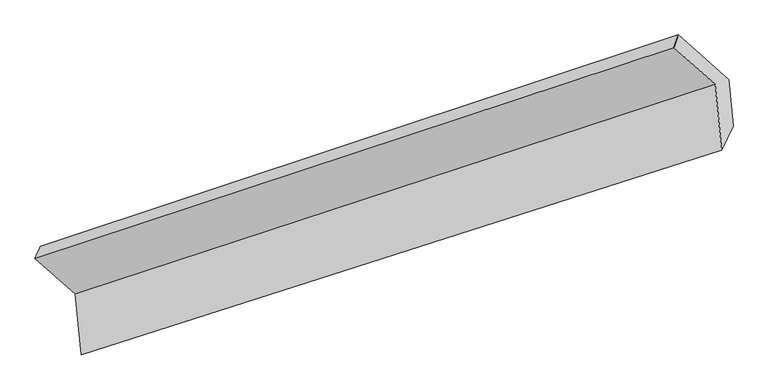
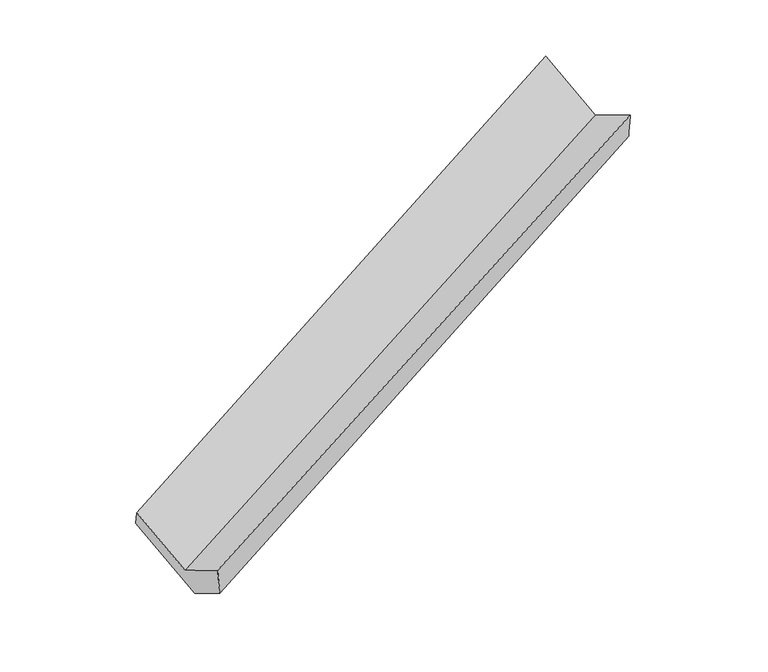
"""IFC4 building model written with IfcOpenShell, lengths in millimetres: proxy geometry."""

from ifc_helpers import new_model, si_unit, frame, origin, place, context, project, spatial, source, transform, mapped, element, save
from ifc_brep_helpers import plane_surface, spline_surface, advanced_brep


def generic_models_2de4b0ec(model_context):
    return source(origin(), model_context, "Body", "AdvancedBrep", [
        advanced_brep(
        [(-4818.2952949, -2142.9938658, 1010.5607449), (-4781.5622967, -2523.9603189, 1229.293286), (-784.181113, -1243.3883559, 2855.7918655), (-823.7020433, -833.5076116, 2620.4581346), (-5069.5408886, -1919.5102343, 1441.9952717), (-1081.8374156, -603.8955035, 3063.7236684), (-5035.4556037, -1846.2413821, 1299.6498045), (-1054.6419093, -524.4981747, 2933.2092081), (-4728.7199829, -2119.083542, 772.9287765), (-741.0165099, -803.4688112, 2394.6571732), (-4700.3139631, -2413.6889691, 942.0769867), (-712.9641411, -1094.4064412, 2561.6995114)],
        [
            (0, 1),
            (1, 2),
            (2, 3),
            (3, 0),
            (4, 0),
            (3, 5),
            (5, 4),
            (6, 4),
            (5, 7),
            (7, 6),
            (8, 6),
            (7, 9),
            (9, 8),
            (10, 8),
            (9, 11),
            (11, 10),
            (1, 10),
            (11, 2),
        ],
        [
            plane_surface(frame((-4799.9287958, -2333.4770924, 1119.9270155), z_axis=(-0.4534146103409898, 0.4105129292218262, 0.7911348343177949), x_axis=(0.08332741926798709, -0.8642080125405541, 0.49618650954942617))),
            plane_surface(frame((-4943.9180918, -2031.25205, 1226.2780083), z_axis=(0.08332741926799117, -0.864208012540558, 0.49618650954941856), x_axis=(0.4593185728749458, -0.40856510619958347, -0.7887337970495788))),
            spline_surface(1, 1, [[(-5035.4556037, -1846.2413821, 1299.6498045), (-1054.6419093, -524.4981747, 2933.2092081)], [(-5069.5408886, -1919.5102343, 1441.9952717), (-1081.8374156, -603.8955035, 3063.7236684)]], [2, 2], [2, 2], [0.0, 1.0], [0.0, 1.0]),
            plane_surface(frame((-4882.0877933, -1982.6624621, 1036.2892905), z_axis=(-0.0833274192679884, 0.8642080125405563, -0.49618650954942245), x_axis=(-0.4593185728749562, 0.4085651061995846, 0.7887337970495724))),
            plane_surface(frame((-4714.516973, -2266.3862556, 857.5028816), z_axis=(0.45636909258398484, -0.4095413022928346, -0.78993871474334), x_axis=(-0.08332741926798744, 0.8642080125405541, -0.496186509549426))),
            spline_surface(1, 1, [[(-4781.5622967, -2523.9603189, 1229.293286), (-784.181113, -1243.3883559, 2855.7918655)], [(-4700.3139631, -2413.6889691, 942.0769867), (-712.9641411, -1094.4064412, 2561.6995114)]], [2, 2], [2, 2], [0.0, 1.0], [0.0, 1.0]),
            plane_surface(frame((-866.390522, -850.527483, 2738.2565935), z_axis=(0.8843545611406308, 0.29363083124370537, 0.3629021150846235), x_axis=(-0.4593185728749562, 0.4085651061995846, 0.7887337970495724))),
            plane_surface(frame((-4855.648005, -2160.913052, 1116.0841451), z_axis=(-0.8843545611406382, -0.2936308312436289, -0.3629021150846672), x_axis=(-0.08332741926798697, 0.8642080125405545, -0.49618650954942545))),
        ],
        [
            (0, [[1, 2, 3, 4]]),
            (1, [[5, -4, 6, 7]]),
            (2, [[8, -7, 9, 10]]),
            (3, [[11, -10, 12, 13]]),
            (4, [[14, -13, 15, 16]]),
            (5, [[17, -16, 18, -2]]),
            (6, [[-12, -9, -6, -3, -18, -15]]),
            (7, [[-1, -5, -8, -11, -14, -17]]),
        ],
    ),
    ])


if __name__ == "__main__":
    model = new_model("IFC4")
    model_context = context("Model", 3, world=origin())
    ifc_project = project(units=[si_unit("LENGTHUNIT", "METRE", prefix="MILLI")], contexts=[model_context])
    site = spatial("IfcSite", under=ifc_project)
    building = spatial("IfcBuilding", under=site)
    placement = place(None, origin())
    generic_models_shape = generic_models_2de4b0ec(model_context)
    element("IfcBuildingElementProxy", 1, Name="Generic Models", at=placement, inside=building, context=model_context, shape_type="MappedRepresentation", body=[
        mapped(generic_models_shape, transform((0.0, 0.0, 0.0), x_axis=(1.0, 0.0, 0.0), y_axis=(0.0, 1.0, 0.0), z_axis=(0.0, 0.0, 1.0))),
    ])
    save(model, "model.ifc")
